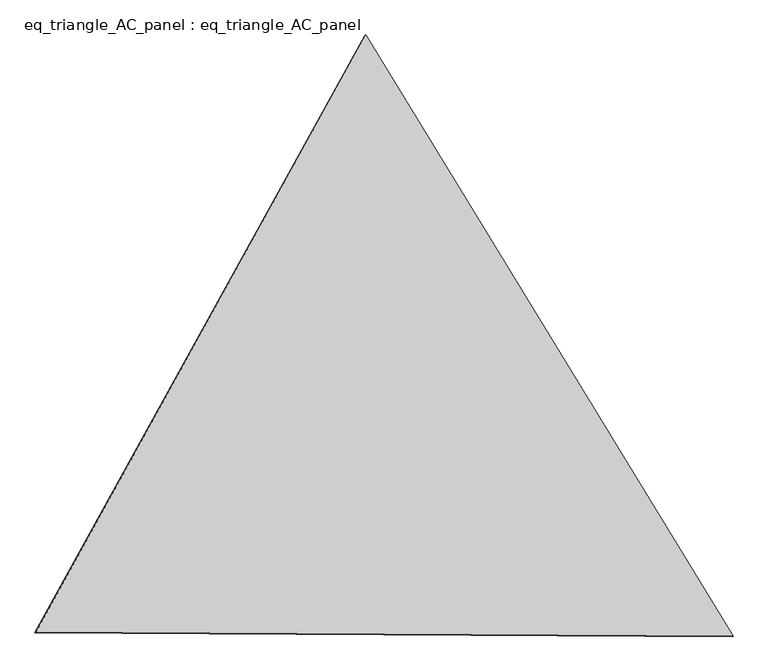
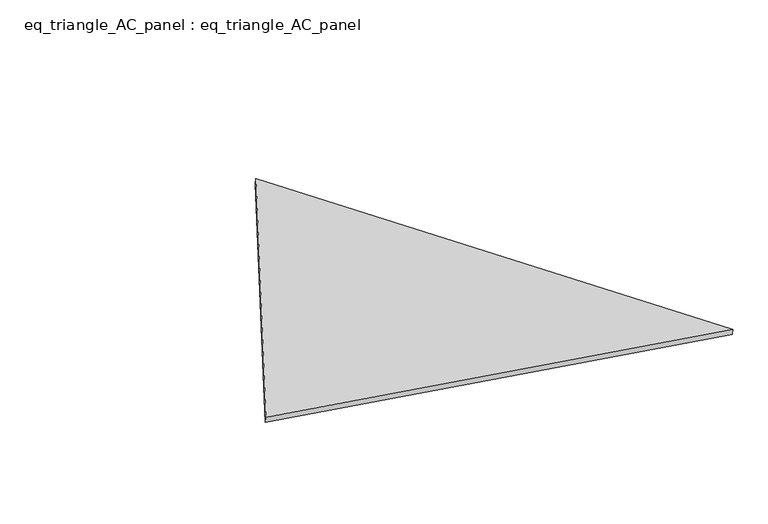
"""IFC4 building model written with IfcOpenShell, lengths in millimetres: proxy geometry, eq_triangle_AC_panel : eq_triangle_AC_panel."""

import ifcopenshell
import ifcopenshell.guid

model = None  # the IFC model being written
_history = None  # IfcOwnerHistory: only IFC2X3 demands one
_inside = {}  # id of a spatial element -> (the spatial element, [elements in it])
_under = {}  # id of a project, library or spatial element -> (it, [spatial elements below it])
_declared = {}  # id of a project -> (the project, [libraries it declares])
_typed = {}  # id of a type object -> (the type object, [elements of that type])
_made_of = {}  # id of a material, layer set ... -> (it, [elements and type objects made of it])


def new_model(schema):
    """Start an empty IFC model of exactly this schema.

    Asked for "IFC4X3", IfcOpenShell would pick the latest addendum, in which some entities
    have other attributes; the version numbers below select the first issue.
    IFC2X3 requires an IfcOwnerHistory on every rooted entity: one is made here for all.
    """
    global model, _history
    if schema == "IFC4X3":
        model = ifcopenshell.file(schema_version=(4, 3, 0, 0))
    else:
        model = ifcopenshell.file(schema=schema)
    _inside.clear()
    _under.clear()
    _declared.clear()
    _typed.clear()
    _made_of.clear()
    _history = None
    if model.schema == "IFC2X3":
        org = make("IfcOrganization", Name="unknown")
        user = make(
            "IfcPersonAndOrganization",
            ThePerson=make("IfcPerson", FamilyName="unknown"),
            TheOrganization=org,
        )
        app = make(
            "IfcApplication",
            ApplicationDeveloper=org,
            Version="unknown",
            ApplicationFullName="unknown",
            ApplicationIdentifier="unknown",
        )
        _history = make(
            "IfcOwnerHistory",
            OwningUser=user,
            OwningApplication=app,
            ChangeAction="ADDED",
            CreationDate=0,
        )
    return model


def make(cls, **values):
    """One entity of the class cls with the attributes given. An attribute that is None is left unset."""
    return model.create_entity(
        cls, **{name: value for name, value in values.items() if value is not None}
    )


def rooted(cls, **values):
    """An entity with a GlobalId (a new one), such as an element, a storey or a relation."""
    return make(cls, GlobalId=ifcopenshell.guid.new(), OwnerHistory=_history, **values)


def si_unit(unit_type, name, prefix=None):
    """IfcSIUnit, for example si_unit("LENGTHUNIT", "METRE", prefix="MILLI")."""
    return make("IfcSIUnit", UnitType=unit_type, Prefix=prefix, Name=name)


def assignment(units):
    """IfcUnitAssignment: the units of a project."""
    return None if units is None else make("IfcUnitAssignment", Units=units)


def point(xyz):
    """IfcCartesianPoint."""
    return None if xyz is None else make("IfcCartesianPoint", Coordinates=xyz)


def direction(xyz):
    """IfcDirection."""
    return None if xyz is None else make("IfcDirection", DirectionRatios=xyz)


def frame(location, z_axis=None, x_axis=None):
    """IfcAxis2Placement3D, a coordinate frame: its origin and axes. An axis left out is left unset."""
    return make(
        "IfcAxis2Placement3D",
        Location=point(location),
        Axis=direction(z_axis),
        RefDirection=direction(x_axis),
    )


def origin():
    """The frame at (0, 0, 0) with its axes left unset."""
    return frame((0.0, 0.0, 0.0))


def place(relative_to, where):
    """IfcLocalPlacement: puts the frame where relative to a parent placement (None: the world)."""
    return make(
        "IfcLocalPlacement", PlacementRelTo=relative_to, RelativePlacement=where
    )


def context(
    kind, dimensions, precision=None, world=None, true_north=None, identifier=None
):
    """IfcGeometricRepresentationContext, for example the 3D "Model" context."""
    return make(
        "IfcGeometricRepresentationContext",
        ContextIdentifier=identifier,
        ContextType=kind,
        CoordinateSpaceDimension=dimensions,
        Precision=precision,
        WorldCoordinateSystem=world,
        TrueNorth=true_north,
    )


def project(units=None, contexts=None):
    """IfcProject with its units and contexts."""
    return rooted(
        "IfcProject",
        Name="project",
        RepresentationContexts=contexts,
        UnitsInContext=assignment(units),
    )


def spatial(cls, under=None, at=None, **own):
    """A site, building, storey or space (cls), placed at a placement, below another one or the project."""
    s = rooted(cls, ObjectPlacement=at, **own)
    if under is not None:
        _under.setdefault(under.id(), (under, []))[1].append(s)
    return s


def polyline(points):
    """IfcPolyline through the points."""
    return make("IfcPolyline", Points=[point(p) for p in points])


def outline(outer, holes=None, kind="AREA"):
    """IfcArbitraryClosedProfileDef: a profile drawn as a closed curve; with holes, ...WithVoids."""
    if holes is None:
        return make("IfcArbitraryClosedProfileDef", ProfileType=kind, OuterCurve=outer)
    return make(
        "IfcArbitraryProfileDefWithVoids",
        ProfileType=kind,
        OuterCurve=outer,
        InnerCurves=holes,
    )


def extrude(swept, where, along, depth):
    """IfcExtrudedAreaSolid: the profile swept, set in the frame where, extruded along a direction by depth."""
    return make(
        "IfcExtrudedAreaSolid",
        SweptArea=swept,
        Position=where,
        ExtrudedDirection=direction(along),
        Depth=depth,
    )


def shape(context_of_items, identifier, shape_type, items):
    """IfcShapeRepresentation: the items that make up one representation, for example the "Body"."""
    return make(
        "IfcShapeRepresentation",
        ContextOfItems=context_of_items,
        RepresentationIdentifier=identifier,
        RepresentationType=shape_type,
        Items=items,
    )


def source(mapping_origin, context_of_items, identifier, shape_type, items):
    """IfcRepresentationMap: a shape defined once, which mapped items show again and again."""
    return make(
        "IfcRepresentationMap",
        MappingOrigin=mapping_origin,
        MappedRepresentation=shape(context_of_items, identifier, shape_type, items),
    )


def transform(
    local_origin,
    x_axis=None,
    y_axis=None,
    z_axis=None,
    scale=None,
    scale2=None,
    scale3=None,
    uniform=True,
):
    """IfcCartesianTransformationOperator3D, or its non-uniform kind. x_axis, y_axis, z_axis: its Axis1, 2, 3."""
    if uniform:
        return make(
            "IfcCartesianTransformationOperator3D",
            Axis1=direction(x_axis),
            Axis2=direction(y_axis),
            LocalOrigin=point(local_origin),
            Scale=scale,
            Axis3=direction(z_axis),
        )
    return make(
        "IfcCartesianTransformationOperator3DnonUniform",
        Axis1=direction(x_axis),
        Axis2=direction(y_axis),
        LocalOrigin=point(local_origin),
        Scale=scale,
        Axis3=direction(z_axis),
        Scale2=scale2,
        Scale3=scale3,
    )


def mapped(mapping_source, mapping_target):
    """IfcMappedItem: shows the shape of a source again, moved by a transform."""
    return make(
        "IfcMappedItem", MappingSource=mapping_source, MappingTarget=mapping_target
    )


def made_of(thing, what):
    """Note that an element or type object is made of a material, layer set ...; save() writes the relation."""
    if what is not None:
        _made_of.setdefault(what.id(), (what, []))[1].append(thing)
    return thing


def element(
    cls,
    number,
    at=None,
    inside=None,
    cuts=None,
    type_object=None,
    material=None,
    context=None,
    identifier="Body",
    shape_type=None,
    held_by="IfcProductDefinitionShape",
    body=None,
    shapes=None,
    **own,
):
    """One element of the class cls, such as IfcWall. Its Tag is "e" and its number.

    at: its placement. inside: the storey or other place that contains it. cuts: it is an
    opening in that element (IfcRelVoidsElement). A single representation is given by context,
    identifier, shape_type and body (its items); several are given by shapes. held_by: the class
    of the entity that holds the representations. save() writes the other relations.
    """
    e = rooted(cls, Tag="e%d" % number, ObjectPlacement=at, **own)
    if body is not None:
        shapes = [shape(context, identifier, shape_type, body)]
    if shapes is not None:
        e.Representation = make(held_by, Representations=shapes)
    if inside is not None:
        _inside.setdefault(inside.id(), (inside, []))[1].append(e)
    if cuts is not None:
        rooted(
            "IfcRelVoidsElement", RelatingBuildingElement=cuts, RelatedOpeningElement=e
        )
    if type_object is not None:
        _typed.setdefault(type_object.id(), (type_object, []))[1].append(e)
    return made_of(e, material)


def aggregate(whole, parts):
    """IfcRelAggregates: a whole, such as a stair, and the parts it consists of."""
    return rooted("IfcRelAggregates", RelatingObject=whole, RelatedObjects=parts)


def save(model, path):
    """Write the relations noted so far, then the file.

    IfcRelAggregates (storeys below a building ...), IfcRelContainedInSpatialStructure (elements
    in a storey), IfcRelDefinesByType, IfcRelAssociatesMaterial and IfcRelDeclares: one each for
    every whole, place, type object, material and project.
    """
    for whole, parts in _under.values():
        aggregate(whole, parts)
    for where, things in _inside.values():
        rooted(
            "IfcRelContainedInSpatialStructure",
            RelatedElements=things,
            RelatingStructure=where,
        )
    for kind, things in _typed.values():
        rooted("IfcRelDefinesByType", RelatedObjects=things, RelatingType=kind)
    for what, things in _made_of.values():
        rooted("IfcRelAssociatesMaterial", RelatedObjects=things, RelatingMaterial=what)
    for by, libraries in _declared.values():
        rooted("IfcRelDeclares", RelatingContext=by, RelatedDefinitions=libraries)
    model.write(path)


def eq_triangle_ac_panel_eq_triangle_ac_panel_6598c063(model_context):
    return source(origin(), model_context, "Body", "SweptSolid", [
        extrude(outline(polyline([(-2032.8306629, 1173.1700195), (2091.2842302, 1173.1700195), (-58.4535674, -2346.3400392), (-2032.8306629, 1173.1700195)])), frame((-6.3631761, 524.2531996, 46.6143561), z_axis=(0.1452632851805292, 0.0838657028179259, 0.9858321976226053), x_axis=(0.5211103640698725, -0.8534790669542464, -0.004179800219391124)), (0.0, 0.0, 1.0), 43.8306294),
    ])


if __name__ == "__main__":
    model = new_model("IFC4")
    model_context = context("Model", 3, world=origin())
    ifc_project = project(units=[si_unit("LENGTHUNIT", "METRE", prefix="MILLI")], contexts=[model_context])
    site = spatial("IfcSite", under=ifc_project)
    building = spatial("IfcBuilding", under=site)
    placement = place(None, origin())
    eq_triangle_ac_panel_eq_triangle_ac_panel_shape = eq_triangle_ac_panel_eq_triangle_ac_panel_6598c063(model_context)
    element("IfcBuildingElementProxy", 1, Name="eq_triangle_AC_panel : eq_triangle_AC_panel", ObjectType="eq_triangle_AC_panel : eq_triangle_AC_panel", at=placement, inside=building, context=model_context, shape_type="MappedRepresentation", body=[
        mapped(eq_triangle_ac_panel_eq_triangle_ac_panel_shape, transform((0.0, 0.0, 0.0), x_axis=(1.0, 0.0, 0.0), y_axis=(0.0, 1.0, 0.0), z_axis=(0.0, 0.0, 1.0))),
    ])
    save(model, "model.ifc")
